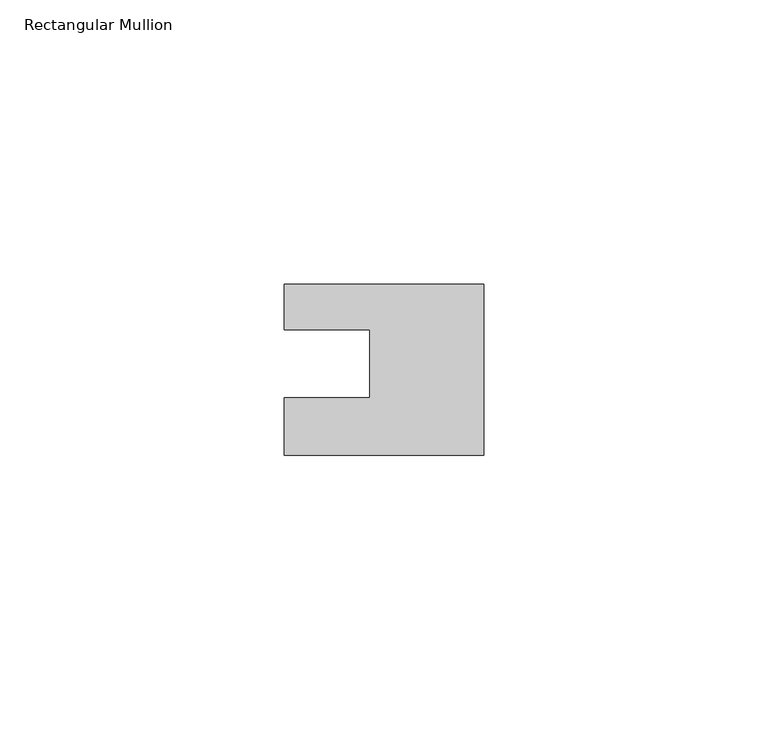
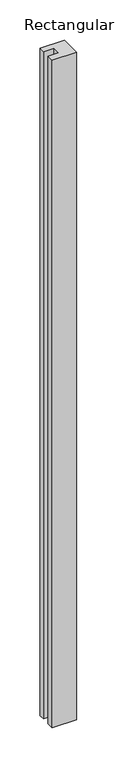
"""IFC4 building model written with IfcOpenShell, lengths in millimetres: member geometry, Rectangular Mullion."""

from ifc_helpers import new_model, si_unit, frame, origin, place, context, project, spatial, polyline, outline, extrude, source, transform, mapped, element, save


def rectangular_mullion_6feee626(model_context):
    return source(origin(), model_context, "Body", "SweptSolid", [
        extrude(outline(polyline([(0.0, 7.94), (0.0, -22.06), (-35.0, -22.06), (-35.0, -12.0), (-20.0, -12.0), (-20.0, 0.001), (-35.0, 0.001), (-35.0, 7.94), (0.0, 7.94)])), frame((0.0, 0.0, -1010.0), z_axis=(0.0, 0.0, 1.0), x_axis=(1.0, 0.0, 0.0)), (0.0, 0.0, 1.0), 1010.0),
    ])


if __name__ == "__main__":
    model = new_model("IFC4")
    model_context = context("Model", 3, world=origin())
    ifc_project = project(units=[si_unit("LENGTHUNIT", "METRE", prefix="MILLI")], contexts=[model_context])
    site = spatial("IfcSite", under=ifc_project)
    building = spatial("IfcBuilding", under=site)
    placement = place(None, origin())
    rectangular_mullion_shape = rectangular_mullion_6feee626(model_context)
    element("IfcMember", 1, ObjectType="Rectangular Mullion", at=placement, inside=building, context=model_context, shape_type="MappedRepresentation", body=[
        mapped(rectangular_mullion_shape, transform((0.0, 0.0, 0.0), x_axis=(1.0, 0.0, 0.0), y_axis=(0.0, 1.0, 0.0), z_axis=(0.0, 0.0, 1.0))),
    ])
    save(model, "model.ifc")
